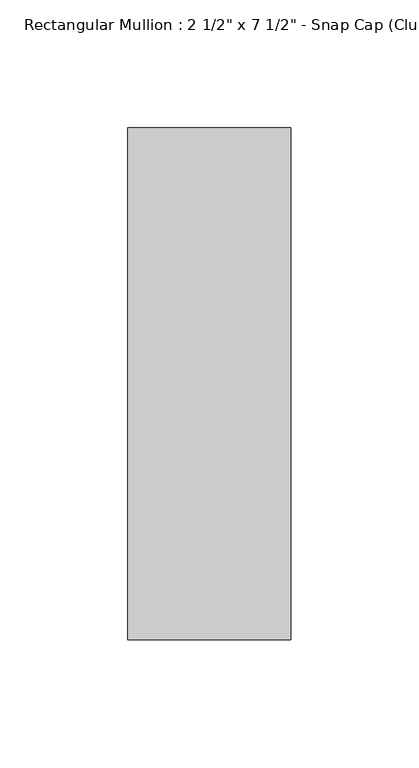
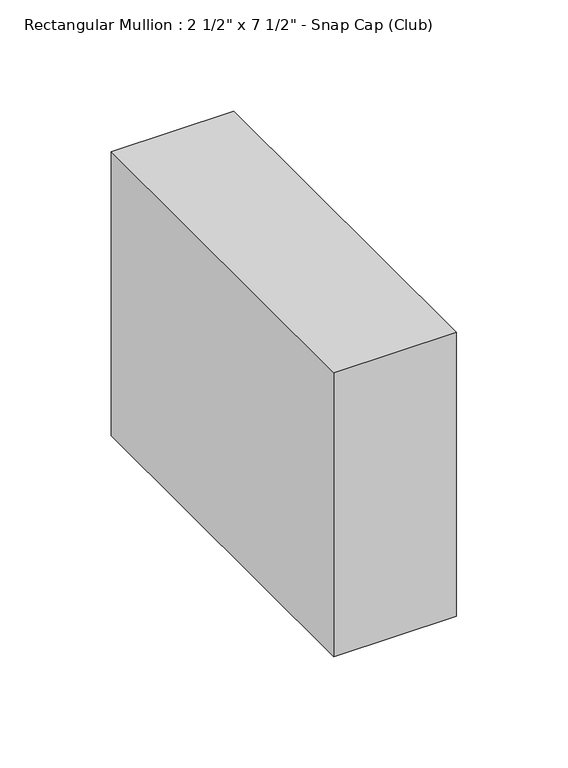
"""IFC4 building model written with IfcOpenShell, lengths in millimetres: member geometry."""

from ifc_helpers import new_model, si_unit, frame, origin, place, context, project, spatial, polyline, outline, extrude, source, transform, mapped, element, save


def member_4003926b(model_context):
    return source(origin(), model_context, "Body", "SweptSolid", [
        extrude(outline(polyline([(0.0, 25.8), (0.0, -174.2), (-63.5, -174.2), (-63.5, 25.8), (0.0, 25.8)])), frame((0.0, 0.0, -155.6348417), z_axis=(0.0, 0.0, 1.0), x_axis=(1.0, 0.0, 0.0)), (0.0, 0.0, 1.0), 155.6348417),
    ])


if __name__ == "__main__":
    model = new_model("IFC4")
    model_context = context("Model", 3, world=origin())
    ifc_project = project(units=[si_unit("LENGTHUNIT", "METRE", prefix="MILLI")], contexts=[model_context])
    site = spatial("IfcSite", under=ifc_project)
    building = spatial("IfcBuilding", under=site)
    placement = place(None, origin())
    member_shape = member_4003926b(model_context)
    element("IfcMember", 1, ObjectType="Rectangular Mullion : 2 1/2\" x 7 1/2\" - Snap Cap (Club)", at=placement, inside=building, context=model_context, shape_type="MappedRepresentation", body=[
        mapped(member_shape, transform((0.0, 0.0, 0.0), x_axis=(1.0, 0.0, 0.0), y_axis=(0.0, 1.0, 0.0), z_axis=(0.0, 0.0, 1.0))),
    ])
    save(model, "model.ifc")
